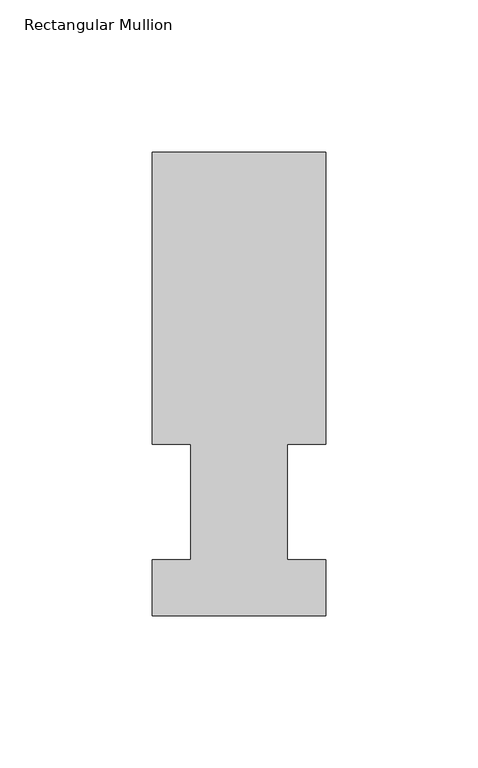
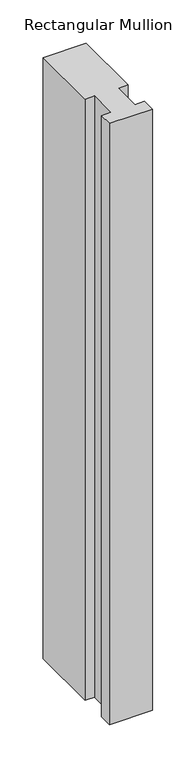
"""IFC4 building model written with IfcOpenShell, lengths in millimetres: member geometry, Rectangular Mullion."""

from ifc_helpers import new_model, si_unit, frame, origin, place, context, project, spatial, polyline, outline, extrude, source, transform, mapped, element, save


def rectangular_mullion_ae3d6e7d(model_context):
    return source(origin(), model_context, "Body", "SweptSolid", [
        extrude(outline(polyline([(-28.575, 152.36825), (28.575, 152.36825), (28.575, 56.35625), (15.875, 56.35625), (15.875, 18.25625), (28.575, 18.25625), (28.575, -0.03175), (-28.575, -0.03175), (-28.575, 18.25625), (-15.875, 18.25625), (-15.875, 56.35625), (-28.575, 56.35625), (-28.575, 152.36825)])), frame((0.0, 0.0, -844.4484), z_axis=(0.0, 0.0, 1.0), x_axis=(1.0, 0.0, 0.0)), (0.0, 0.0, 1.0), 844.4484),
    ])


if __name__ == "__main__":
    model = new_model("IFC4")
    model_context = context("Model", 3, world=origin())
    ifc_project = project(units=[si_unit("LENGTHUNIT", "METRE", prefix="MILLI")], contexts=[model_context])
    site = spatial("IfcSite", under=ifc_project)
    building = spatial("IfcBuilding", under=site)
    placement = place(None, origin())
    rectangular_mullion_shape = rectangular_mullion_ae3d6e7d(model_context)
    element("IfcMember", 1, ObjectType="Rectangular Mullion", at=placement, inside=building, context=model_context, shape_type="MappedRepresentation", body=[
        mapped(rectangular_mullion_shape, transform((0.0, 0.0, 0.0), x_axis=(1.0, 0.0, 0.0), y_axis=(0.0, 1.0, 0.0), z_axis=(0.0, 0.0, 1.0))),
    ])
    save(model, "model.ifc")
